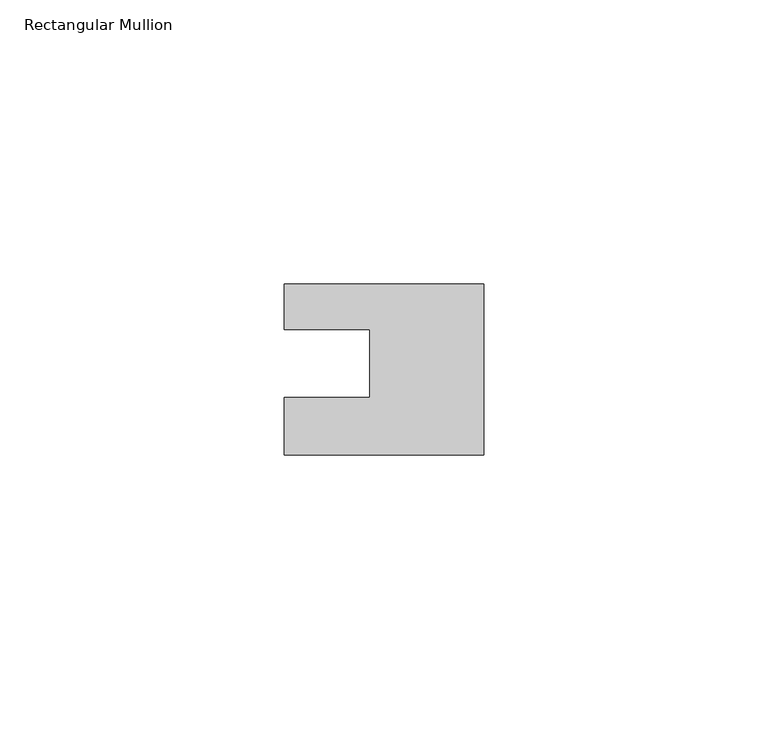
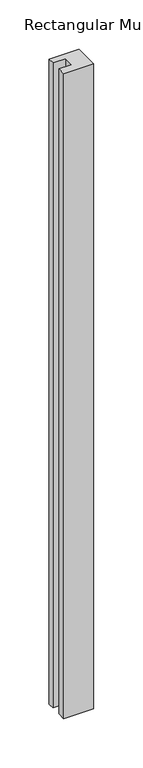
"""IFC4 building model written with IfcOpenShell, lengths in millimetres: member geometry, Rectangular Mullion."""

from ifc_helpers import new_model, si_unit, frame, origin, place, context, project, spatial, polyline, outline, extrude, source, transform, mapped, element, save


def rectangular_mullion_b21f0ccf(model_context):
    return source(origin(), model_context, "Body", "SweptSolid", [
        extrude(outline(polyline([(0.0, 7.94), (0.0, -22.06), (-35.0, -22.06), (-35.0, -12.0), (-20.0, -12.0), (-20.0, 0.001), (-35.0, 0.001), (-35.0, 7.94), (0.0, 7.94)])), frame((0.0, 0.0, -800.0), z_axis=(0.0, 0.0, 1.0), x_axis=(1.0, 0.0, 0.0)), (0.0, 0.0, 1.0), 800.0),
    ])


if __name__ == "__main__":
    model = new_model("IFC4")
    model_context = context("Model", 3, world=origin())
    ifc_project = project(units=[si_unit("LENGTHUNIT", "METRE", prefix="MILLI")], contexts=[model_context])
    site = spatial("IfcSite", under=ifc_project)
    building = spatial("IfcBuilding", under=site)
    placement = place(None, origin())
    rectangular_mullion_shape = rectangular_mullion_b21f0ccf(model_context)
    element("IfcMember", 1, ObjectType="Rectangular Mullion", at=placement, inside=building, context=model_context, shape_type="MappedRepresentation", body=[
        mapped(rectangular_mullion_shape, transform((0.0, 0.0, 0.0), x_axis=(1.0, 0.0, 0.0), y_axis=(0.0, 1.0, 0.0), z_axis=(0.0, 0.0, 1.0))),
    ])
    save(model, "model.ifc")
